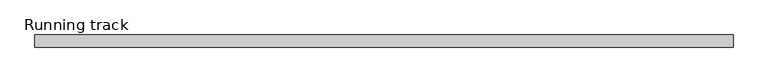
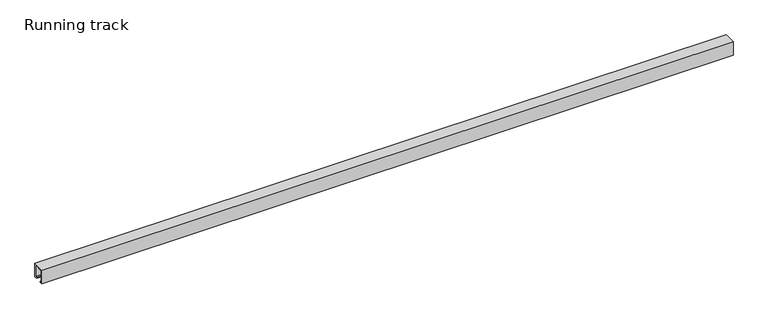
"""IFC4 building model written with IfcOpenShell, lengths in millimetres: proxy geometry, Running track."""

from ifc_helpers import new_model, si_unit, point, frame, frame_2d, origin, origin_with_axes, place, context, project, spatial, polyline, circle_curve, trimmed, segment, composite_curve, outline, extrude, faceted_brep, source, transform, mapped, element, save


def running_track_90c5fa36(model_context):
    return source(origin(), model_context, "Body", "SolidModel", [
        extrude(outline(composite_curve([segment(trimmed(circle_curve(frame_2d((0.0, 18.67839)), 6.3335878), [point((-6.3335878, 18.67839))], [point((6.3335878, 18.67839))], False, "CARTESIAN"), True, "CONTINUOUS"), segment(trimmed(circle_curve(frame_2d((0.0, 18.67839)), 6.3335878), [point((6.3335878, 18.67839))], [point((-6.3335878, 18.67839))], False, "CARTESIAN"), True, "CONTINUOUS")], self_intersect=False)), frame((1868.0, 0.0, 0.0), z_axis=(1.0, 0.0, 0.0), x_axis=(0.0, 1.0, 0.0)), (0.0, 0.0, 1.0), 4.0),
        faceted_brep([(1914.5, -14.5, 36.5), (1872.0, -14.5, 36.5), (1872.0, -14.5, 3.0), (1914.5, -14.5, 3.0), (1914.5, 14.5, 36.5), (1914.5, 14.5, 3.0), (1872.0, 14.5, 3.0), (1872.0, 14.5, 36.5), (1872.0, 12.531559, 36.5), (1911.9235205, 12.531559, 36.5), (1911.9235205, -12.5, 36.5), (1872.0, -12.5, 36.5), (1872.0, -12.5, 25.3706125), (1872.0, 12.531559, 25.3706125), (1911.9235205, -12.5, 25.3706125), (1911.9235205, 12.531559, 25.3706125)], [[[0, 1, 2, 3]], [[4, 5, 6, 7]], [[1, 0, 4, 7, 8, 9, 10, 11]], [[2, 1, 11, 12, 13, 8, 7, 6]], [[3, 2, 6, 5]], [[0, 3, 5, 4]], [[14, 12, 11, 10]], [[15, 9, 8, 13]], [[15, 14, 10, 9]], [[14, 15, 13, 12]]]),
        extrude(outline(polyline([(1914.5, -12.5), (1870.0024224, -12.5), (1870.0024224, 12.531559), (1914.5, 12.531559), (1914.5, -12.5)])), origin_with_axes(), (0.0, 0.0, 1.0), 3.0),
        extrude(outline(polyline([(36.5, 1857.1109747), (36.5, 1833.4983788), (33.2695661, 1833.4983788), (33.2695661, 1835.332539), (24.3170527, 1910.6793739), (32.9021554, 1910.6793739), (36.5, 1857.1109747)])), frame((0.0, -12.5, 0.0), z_axis=(0.0, 1.0, 0.0), x_axis=(0.0, 0.0, 1.0)), (0.0, 0.0, 1.0), 25.031559),
        extrude(outline(polyline([(17.0, 40.0), (17.0, 0.0), (9.0, 0.0), (9.0, 3.0), (14.0, 3.0), (14.0, 37.0), (-14.0, 37.0), (-14.0, 3.0), (-9.0, 3.0), (-9.0, 0.0), (-17.0, 0.0), (-17.0, 40.0), (17.0, 40.0)])), frame((0.0, 0.0, 0.0), z_axis=(1.0, 0.0, 0.0), x_axis=(0.0, 1.0, 0.0)), (0.0, 0.0, 1.0), 1950.0),
    ])


if __name__ == "__main__":
    model = new_model("IFC4")
    model_context = context("Model", 3, world=origin())
    ifc_project = project(units=[si_unit("LENGTHUNIT", "METRE", prefix="MILLI")], contexts=[model_context])
    site = spatial("IfcSite", under=ifc_project)
    building = spatial("IfcBuilding", under=site)
    placement = place(None, origin())
    running_track_shape = running_track_90c5fa36(model_context)
    element("IfcBuildingElementProxy", 1, Name="Running track", ObjectType="Running track", at=placement, inside=building, context=model_context, shape_type="MappedRepresentation", body=[
        mapped(running_track_shape, transform((0.0, 0.0, 0.0), x_axis=(1.0, 0.0, 0.0), y_axis=(0.0, 1.0, 0.0), z_axis=(0.0, 0.0, 1.0))),
    ])
    save(model, "model.ifc")
